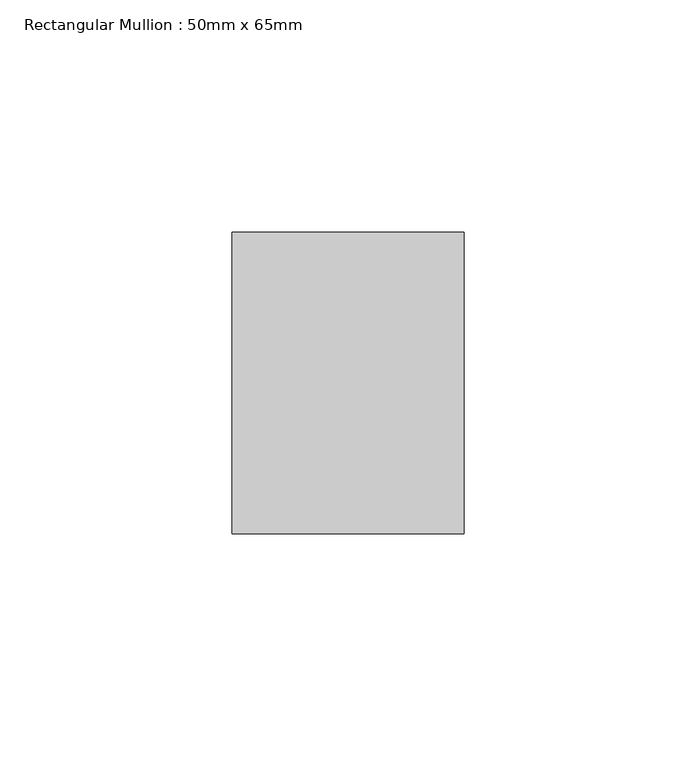
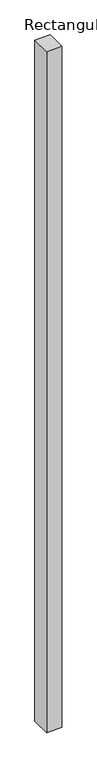
"""IFC4 building model written with IfcOpenShell, lengths in millimetres: member geometry, Rectangular Mullion : 50mm x 65mm."""

from ifc_helpers import new_model, si_unit, frame, origin, place, context, project, spatial, polyline, outline, extrude, source, transform, mapped, element, save


def rectangular_mullion_50mm_x_65mm_114cc5fa(model_context):
    return source(origin(), model_context, "Body", "SweptSolid", [
        extrude(outline(polyline([(25.0, 32.5), (25.0, -32.5), (-25.0, -32.5), (-25.0, 32.5), (25.0, 32.5)])), frame((0.0, 0.0, -2332.1779773), z_axis=(0.0, 0.0, 1.0), x_axis=(1.0, 0.0, 0.0)), (0.0, 0.0, 1.0), 2332.1779773),
    ])


if __name__ == "__main__":
    model = new_model("IFC4")
    model_context = context("Model", 3, world=origin())
    ifc_project = project(units=[si_unit("LENGTHUNIT", "METRE", prefix="MILLI")], contexts=[model_context])
    site = spatial("IfcSite", under=ifc_project)
    building = spatial("IfcBuilding", under=site)
    placement = place(None, origin())
    rectangular_mullion_50mm_x_65mm_shape = rectangular_mullion_50mm_x_65mm_114cc5fa(model_context)
    element("IfcMember", 1, ObjectType="Rectangular Mullion : 50mm x 65mm", at=placement, inside=building, context=model_context, shape_type="MappedRepresentation", body=[
        mapped(rectangular_mullion_50mm_x_65mm_shape, transform((0.0, 0.0, 0.0), x_axis=(1.0, 0.0, 0.0), y_axis=(0.0, 1.0, 0.0), z_axis=(0.0, 0.0, 1.0))),
    ])
    save(model, "model.ifc")
